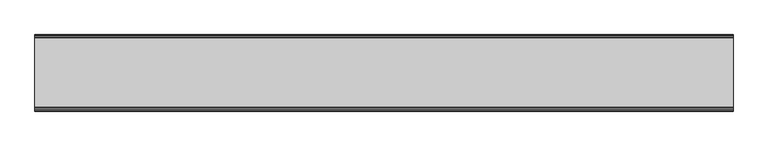
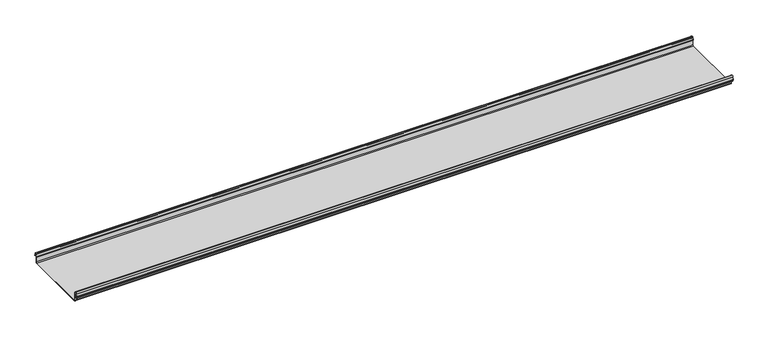
"""IFC4 building model written with IfcOpenShell, lengths in millimetres: beam geometry."""

from ifc_helpers import new_model, si_unit, frame, origin, place, context, project, spatial, polyline, circle_curve, source, transform, mapped, element, save
from ifc_brep_helpers import plane_surface, cylinder_surface, revolved_surface, advanced_brep


def beam_53fe273e(model_context):
    return source(origin(), model_context, "Body", "AdvancedBrep", [
        advanced_brep(
        [(1615.4201823, 174.5298471, 17.4730576), (1615.4201823, 169.9958217, 21.2486363), (1615.4201823, 165.4890072, 17.6093124), (1615.4201823, 163.0420077, 6.2503755), (1615.4201823, 164.7006671, 3.7959761), (1615.4201823, 165.8698319, 2.0849359), (1615.4201823, 164.3793103, -21.3247551), (1615.4201823, 160.6848586, -24.7896475), (1615.4201823, -159.5640942, -24.7896475), (1615.4201823, -163.2568715, -21.3207217), (1615.4201823, -164.7263748, 2.1632779), (1615.4201823, -164.0984471, 3.0966958), (1615.4201823, -161.8868093, 6.1624874), (1615.4201823, -162.770348, 17.3389905), (1615.4201823, -170.0, 24.0196704), (1615.4201823, -177.229652, 17.3389905), (1615.4201823, -178.1131907, 6.1624874), (1615.4201823, -175.9015529, 3.0966958), (1615.4201823, -175.2736252, 2.1632779), (1615.4201823, -175.6653397, -4.0966758), (1615.4201823, -174.6633838, -4.0966758), (1615.4201823, -174.255975, 2.4140875), (1615.4201823, -175.661391, 4.0675496), (1615.4201823, -177.1158116, 6.08368), (1615.4201823, -176.2261211, 17.3379999), (1615.4201823, -170.0, 23.0196704), (1615.4201823, -163.767144, 17.2589936), (1615.4201823, -162.8795452, 6.0037927), (1615.4201823, -164.338609, 4.0675496), (1615.4201823, -165.744025, 2.4140875), (1615.4201823, -164.2549195, -21.3831743), (1615.4201823, -159.5640942, -25.7896475), (1615.4201823, 160.6846135, -25.7896475), (1615.4201823, 165.3772895, -21.3882975), (1615.4201823, 166.868024, 2.0247376), (1615.4201823, 164.9644432, 4.7613501), (1615.4201823, 164.0277999, 6.0779003), (1615.4201823, 166.4434849, 17.2822335), (1615.4201823, 170.0063307, 20.2496221), (1615.4201823, 173.4803249, 17.6539317), (1615.4201823, 175.5075757, 6.5459412), (1615.4201823, 176.5074356, 6.7299959), (-1615.4201823, 174.5298471, 17.4730576), (-1615.4201823, 176.5074356, 6.7299959), (-1615.4201823, 175.5075757, 6.5459412), (-1615.4201823, 173.4803249, 17.6539317), (-1615.4201823, 170.0063307, 20.2496221), (-1615.4201823, 166.4434849, 17.2822335), (-1615.4201823, 164.0277999, 6.0779003), (-1615.4201823, 164.9644432, 4.7613501), (-1615.4201823, 166.868024, 2.0247376), (-1615.4201823, 165.3772895, -21.3882975), (-1615.4201823, 160.6846135, -25.7896475), (-1615.4201823, -159.5640942, -25.7896475), (-1615.4201823, -164.2549195, -21.3831743), (-1615.4201823, -165.744025, 2.4140875), (-1615.4201823, -164.338609, 4.0675496), (-1615.4201823, -162.8795452, 6.0037927), (-1615.4201823, -163.767144, 17.2589936), (-1615.4201823, -170.0, 23.0196704), (-1615.4201823, -176.2261211, 17.3379999), (-1615.4201823, -177.1158116, 6.08368), (-1615.4201823, -175.661391, 4.0675496), (-1615.4201823, -174.255975, 2.4140875), (-1615.4201823, -174.6633838, -4.0966758), (-1615.4201823, -175.6653397, -4.0966758), (-1615.4201823, -175.2736252, 2.1632779), (-1615.4201823, -175.9015529, 3.0966958), (-1615.4201823, -178.1066021, 6.2458324), (-1615.4201823, -177.229652, 17.3389905), (-1615.4201823, -170.0, 24.0196704), (-1615.4201823, -162.770348, 17.3389905), (-1615.4201823, -161.8868093, 6.1624874), (-1615.4201823, -164.0984471, 3.0966958), (-1615.4201823, -164.7263748, 2.1632779), (-1615.4201823, -163.2568715, -21.3207217), (-1615.4201823, -159.5640942, -24.7896475), (-1615.4201823, 160.6848586, -24.7896475), (-1615.4201823, 164.3793103, -21.3247551), (-1615.4201823, 165.8698319, 2.0849359), (-1615.4201823, 164.7006671, 3.7959761), (-1615.4201823, 163.0420077, 6.2503755), (-1615.4201823, 165.4890072, 17.6093124), (-1615.4201823, 169.9958217, 21.2486363)],
        [
            (0, 1, circle_curve(frame((1615.4201823, 169.9958217, 16.6384317), z_axis=(1.0, 0.0, 0.0), x_axis=(0.0, 1.0, 0.0)), 4.6102046)),
            (1, 2, circle_curve(frame((1615.4201823, 169.9958217, 16.6384317), z_axis=(1.0, 0.0, 0.0), x_axis=(0.0, 0.2105938444020083, 0.9775736456656259)), 4.6102046)),
            (2, 3),
            (3, 4, circle_curve(frame((1615.4201823, 165.4262002, 6.073937), z_axis=(1.0, 0.0, 0.0), x_axis=(0.0, -0.9528378408797884, 0.30347989881958104)), 2.3907121)),
            (4, 5, circle_curve(frame((1615.4201823, 164.1897695, 2.1919074), z_axis=(-1.0, 0.0, 0.0), x_axis=(0.0, 0.06354246328302078, 0.9979791357337717)), 1.6834645)),
            (5, 6),
            (6, 7, circle_curve(frame((1615.4201823, 160.6867875, -21.089648), z_axis=(-1.0, 0.0, 0.0), x_axis=(0.0, 0.9999998641088232, -0.0005213274739325337)), 3.7)),
            (7, 8),
            (8, 9, circle_curve(frame((1615.4201823, -159.5640942, -21.0896475), z_axis=(-1.0, 0.0, 0.0), x_axis=(0.0, 0.062452508687223206, -0.9980479368039755)), 3.7)),
            (9, 10),
            (10, 11, circle_curve(frame((1615.4201823, -163.8044049, 2.2209698), z_axis=(-1.0, 0.0, 0.0), x_axis=(0.0, -0.9479881328261025, -0.31830567073314897)), 0.9237732)),
            (11, 12, circle_curve(frame((1615.4201823, -164.7984694, 5.9323112), z_axis=(1.0, 0.0, 0.0), x_axis=(0.0, 0.07880737243916666, -0.9968898625471294)), 2.9207441)),
            (12, 13),
            (13, 14, circle_curve(frame((1615.4201823, -170.0, 16.7674631), z_axis=(1.0, 0.0, 0.0), x_axis=(0.0, 1.0, 0.0)), 7.2522073)),
            (14, 15, circle_curve(frame((1615.4201823, -170.0, 16.7674631), z_axis=(1.0, 0.0, 0.0), x_axis=(0.0, 0.07880737243912425, 0.9968898625471327)), 7.2522073)),
            (15, 16),
            (16, 17, circle_curve(frame((1615.4201823, -175.2001089, 5.9344165), z_axis=(1.0, 0.0, 0.0), x_axis=(0.0, -0.9707819351134729, 0.2399634023290655)), 2.9231288)),
            (17, 18, circle_curve(frame((1615.4201823, -176.1025472, 2.2835649), z_axis=(-1.0, 0.0, 0.0), x_axis=(0.0, 0.14360843272178178, 0.9896345881441257)), 0.8376041)),
            (18, 19),
            (19, 20, circle_curve(frame((1615.4201823, -175.1643617, -4.0966758), z_axis=(1.0, 0.0, 0.0), x_axis=(0.0, 0.0, -1.0)), 0.5009779)),
            (20, 21),
            (21, 22, circle_curve(frame((1615.4201823, -176.1062911, 2.2653702), z_axis=(1.0, 0.0, 0.0), x_axis=(0.0, 0.9708537722163966, -0.23967259537375799)), 1.856283)),
            (22, 23, circle_curve(frame((1615.4201823, -175.2010412, 5.9323112), z_axis=(-1.0, 0.0, 0.0), x_axis=(0.0, -0.07880737243914376, -0.9968898625471312)), 1.9207441)),
            (23, 24),
            (24, 25, circle_curve(frame((1615.4201823, -170.0770494, 16.8518958), z_axis=(-1.0, 0.0, 0.0), x_axis=(0.0, -0.9999219808421378, 0.012491286112139365)), 6.1682558)),
            (25, 26, circle_curve(frame((1615.4201823, -170.0791743, 16.6817991), z_axis=(-1.0, 0.0, 0.0), x_axis=(0.0, -0.09106361391821856, 0.9958450774192508)), 6.3383658)),
            (26, 27),
            (27, 28, circle_curve(frame((1615.4201823, -164.70299, 5.8599936), z_axis=(-1.0, 0.0, 0.0), x_axis=(0.0, 0.9799562955839813, 0.19921259685401593)), 1.8291061)),
            (28, 29, circle_curve(frame((1615.4201823, -163.9886548, 2.3460727), z_axis=(1.0, 0.0, 0.0), x_axis=(0.0, 0.03871763325448635, 0.9992501913310655)), 1.7566874)),
            (29, 30),
            (30, 31, circle_curve(frame((1615.4201823, -159.5640942, -21.0896475), z_axis=(1.0, 0.0, 0.0), x_axis=(0.0, -1.0, 0.0)), 4.7)),
            (31, 32),
            (32, 33, circle_curve(frame((1615.4201823, 160.6846135, -21.0873301), z_axis=(1.0, 0.0, 0.0), x_axis=(0.0, -0.06400407594283139, -0.997949637137418)), 4.7023174)),
            (33, 34),
            (34, 35, circle_curve(frame((1615.4201823, 164.1939121, 2.1950013), z_axis=(1.0, 0.0, 0.0), x_axis=(0.0, 0.9577619201002135, -0.2875623487279797)), 2.6795268)),
            (35, 36, circle_curve(frame((1615.4201823, 165.0972859, 5.8473161), z_axis=(-1.0, 0.0, 0.0), x_axis=(0.0, -0.210759855052358, -0.9775378680635902)), 1.094061)),
            (36, 37),
            (37, 38, circle_curve(frame((1615.4201823, 170.0063307, 16.627032), z_axis=(-1.0, 0.0, 0.0), x_axis=(0.0, -1.0, 0.0)), 3.6225901)),
            (38, 39, circle_curve(frame((1615.4201823, 170.0063307, 16.627032), z_axis=(-1.0, 0.0, 0.0), x_axis=(0.0, -0.2834711363957483, 0.9589807687490417)), 3.6225901)),
            (39, 40),
            (40, 41, circle_curve(frame((1615.4201823, 176.0075057, 6.6379685), z_axis=(1.0, 0.0, 0.0), x_axis=(0.0, 0.18103878268247353, -0.9834759575937014)), 0.5083296)),
            (41, 0),
            (42, 43),
            (43, 44, circle_curve(frame((-1615.4201823, 176.0075057, 6.6379685), z_axis=(-1.0, 0.0, 0.0), x_axis=(0.0, 0.18103878268247353, -0.9834759575937014)), 0.5083296)),
            (44, 45),
            (45, 46, circle_curve(frame((-1615.4201823, 170.0063307, 16.627032), z_axis=(1.0, 0.0, 0.0), x_axis=(0.0, -0.2834711363957483, 0.9589807687490417)), 3.6225901)),
            (46, 47, circle_curve(frame((-1615.4201823, 170.0063307, 16.627032), z_axis=(1.0, 0.0, 0.0), x_axis=(0.0, -1.0, 0.0)), 3.6225901)),
            (47, 48),
            (48, 49, circle_curve(frame((-1615.4201823, 165.0972859, 5.8473161), z_axis=(1.0, 0.0, 0.0), x_axis=(0.0, -0.210759855052358, -0.9775378680635902)), 1.094061)),
            (49, 50, circle_curve(frame((-1615.4201823, 164.1939121, 2.1950013), z_axis=(-1.0, 0.0, 0.0), x_axis=(0.0, 0.9577619201002135, -0.2875623487279797)), 2.6795268)),
            (50, 51),
            (51, 52, circle_curve(frame((-1615.4201823, 160.6846135, -21.0873301), z_axis=(-1.0, 0.0, 0.0), x_axis=(0.0, -0.06400407594283139, -0.997949637137418)), 4.7023174)),
            (52, 53),
            (53, 54, circle_curve(frame((-1615.4201823, -159.5640942, -21.0896475), z_axis=(-1.0, 0.0, 0.0), x_axis=(0.0, -1.0, 0.0)), 4.7)),
            (54, 55),
            (55, 56, circle_curve(frame((-1615.4201823, -163.9886548, 2.3460727), z_axis=(-1.0, 0.0, 0.0), x_axis=(0.0, 0.03871763325448635, 0.9992501913310655)), 1.7566874)),
            (56, 57, circle_curve(frame((-1615.4201823, -164.70299, 5.8599936), z_axis=(1.0, 0.0, 0.0), x_axis=(0.0, 0.9799562955839813, 0.19921259685401593)), 1.8291061)),
            (57, 58),
            (58, 59, circle_curve(frame((-1615.4201823, -170.0791743, 16.6817991), z_axis=(1.0, 0.0, 0.0), x_axis=(0.0, -0.09106361391821856, 0.9958450774192508)), 6.3383658)),
            (59, 60, circle_curve(frame((-1615.4201823, -170.0770494, 16.8518958), z_axis=(1.0, 0.0, 0.0), x_axis=(0.0, -0.9999219808421378, 0.012491286112139365)), 6.1682558)),
            (60, 61),
            (61, 62, circle_curve(frame((-1615.4201823, -175.2010412, 5.9323112), z_axis=(1.0, 0.0, 0.0), x_axis=(0.0, -0.07880737243914376, -0.9968898625471312)), 1.9207441)),
            (62, 63, circle_curve(frame((-1615.4201823, -176.1062911, 2.2653702), z_axis=(-1.0, 0.0, 0.0), x_axis=(0.0, 0.9708537722163966, -0.23967259537375799)), 1.856283)),
            (63, 64),
            (64, 65, circle_curve(frame((-1615.4201823, -175.1643617, -4.0966758), z_axis=(-1.0, 0.0, 0.0), x_axis=(0.0, 0.0, -1.0)), 0.5009779)),
            (65, 66),
            (66, 67, circle_curve(frame((-1615.4201823, -176.1025472, 2.2835649), z_axis=(1.0, 0.0, 0.0), x_axis=(0.0, 0.14360843272178178, 0.9896345881441257)), 0.8376041)),
            (67, 68, circle_curve(frame((-1615.4201823, -175.2001089, 5.9344165), z_axis=(-1.0, 0.0, 0.0), x_axis=(0.0, -0.9707819351134729, 0.2399634023290655)), 2.9231288)),
            (68, 69),
            (69, 70, circle_curve(frame((-1615.4201823, -170.0, 16.7674631), z_axis=(-1.0, 0.0, 0.0), x_axis=(0.0, 0.07880737243912425, 0.9968898625471327)), 7.2522073)),
            (70, 71, circle_curve(frame((-1615.4201823, -170.0, 16.7674631), z_axis=(-1.0, 0.0, 0.0), x_axis=(0.0, 1.0, 0.0)), 7.2522073)),
            (71, 72),
            (72, 73, circle_curve(frame((-1615.4201823, -164.7984694, 5.9323112), z_axis=(-1.0, 0.0, 0.0), x_axis=(0.0, 0.07880737243916666, -0.9968898625471294)), 2.9207441)),
            (73, 74, circle_curve(frame((-1615.4201823, -163.8044049, 2.2209698), z_axis=(1.0, 0.0, 0.0), x_axis=(0.0, -0.9479881328261025, -0.31830567073314897)), 0.9237732)),
            (74, 75),
            (75, 76, circle_curve(frame((-1615.4201823, -159.5640942, -21.0896475), z_axis=(1.0, 0.0, 0.0), x_axis=(0.0, 0.062452508687223206, -0.9980479368039755)), 3.7)),
            (76, 77),
            (77, 78, circle_curve(frame((-1615.4201823, 160.6867875, -21.089648), z_axis=(1.0, 0.0, 0.0), x_axis=(0.0, 0.9999998641088232, -0.0005213274739325337)), 3.7)),
            (78, 79),
            (79, 80, circle_curve(frame((-1615.4201823, 164.1897695, 2.1919074), z_axis=(1.0, 0.0, 0.0), x_axis=(0.0, 0.06354246328302078, 0.9979791357337717)), 1.6834645)),
            (80, 81, circle_curve(frame((-1615.4201823, 165.4262002, 6.073937), z_axis=(-1.0, 0.0, 0.0), x_axis=(0.0, -0.9528378408797884, 0.30347989881958104)), 2.3907121)),
            (81, 82),
            (82, 83, circle_curve(frame((-1615.4201823, 169.9958217, 16.6384317), z_axis=(-1.0, 0.0, 0.0), x_axis=(0.0, 0.2105938444020083, 0.9775736456656259)), 4.6102046)),
            (83, 42, circle_curve(frame((-1615.4201823, 169.9958217, 16.6384317), z_axis=(-1.0, 0.0, 0.0), x_axis=(0.0, 1.0, 0.0)), 4.6102046)),
            (42, 0),
            (41, 43),
            (40, 44),
            (39, 45),
            (38, 46),
            (37, 47),
            (36, 48),
            (35, 49),
            (34, 50),
            (33, 51),
            (32, 52),
            (31, 53),
            (30, 54),
            (29, 55),
            (28, 56),
            (27, 57),
            (26, 58),
            (25, 59),
            (24, 60),
            (23, 61),
            (22, 62),
            (21, 63),
            (20, 64),
            (19, 65),
            (18, 66),
            (17, 67),
            (16, 68),
            (15, 69),
            (14, 70),
            (13, 71),
            (12, 72),
            (11, 73),
            (10, 74),
            (9, 75),
            (8, 76),
            (7, 77),
            (6, 78),
            (5, 79),
            (4, 80),
            (3, 81),
            (2, 82),
            (1, 83),
        ],
        [
            plane_surface(frame((1615.4201823, 176.5074356, 6.7299959), z_axis=(1.0000000000000002, 0.0, 0.0), x_axis=(0.0, -0.18103878268248824, 0.9834759575936989))),
            plane_surface(frame((-1615.4201823, 176.5074356, 6.7299959), z_axis=(-1.0000000000000002, 0.0, 0.0), x_axis=(0.0, 0.18103878268248824, -0.9834759575936989))),
            plane_surface(frame((1615.4201823, 175.5186413, 12.1015267), z_axis=(0.0, 0.9834759575937931, 0.18103878268197598), x_axis=(0.0, 0.18103878268197598, -0.9834759575937931))),
            cylinder_surface(frame((1615.4201823, 176.0075057, 6.6379685), z_axis=(-1.0, 0.0, 0.0), x_axis=(0.0, 0.18103878268247353, -0.9834759575937014)), 0.5083296),
            plane_surface(frame((1615.4201823, 174.4939503, 12.0999365), z_axis=(0.0, -0.9837509798366516, -0.17953832368168063), x_axis=(0.0, -0.17953832368168063, 0.9837509798366516))),
            revolved_surface(polyline([(-1615.4201823, 168.979430967657, 20.101026238960667), (1615.4201823, 168.979430967657, 20.101026238960667)]), (1615.4201823, 170.0063307, 16.627032), (-1.0, 0.0, 0.0)),
            revolved_surface(polyline([(-1615.4201823, 166.3837406, 16.627032), (1615.4201823, 166.3837406, 16.627032)]), (1615.4201823, 170.0063307, 16.627032), (-1.0, 0.0, 0.0)),
            plane_surface(frame((1615.4201823, 165.2356424, 11.6800669), z_axis=(0.0, 0.9775378680634891, -0.2107598550528272), x_axis=(0.0, -0.2107598550528272, -0.9775378680634891))),
            revolved_surface(polyline([(-1615.4201823, 164.86670176222157, 4.77783004252848), (1615.4201823, 164.86670176222157, 4.77783004252848)]), (1615.4201823, 165.0972859, 5.8473161), (-1.0, 0.0, 0.0)),
            cylinder_surface(frame((1615.4201823, 164.1939121, 2.1950013), z_axis=(-1.0, 0.0, 0.0), x_axis=(0.0, 0.9577619201002135, -0.2875623487279797)), 2.6795268),
            plane_surface(frame((1615.4201823, 166.1226567, -9.68178), z_axis=(0.0, 0.9979791357337514, -0.06354246328334037), x_axis=(0.0, -0.06354246328334037, -0.9979791357337514))),
            cylinder_surface(frame((1615.4201823, 160.6846135, -21.0873301), z_axis=(-1.0, 0.0, 0.0), x_axis=(0.0, -0.06400407594283139, -0.997949637137418)), 4.7023174),
            plane_surface(frame((1615.4201823, 0.5602597, -25.7896475), z_axis=(0.0, 0.0, -1.0), x_axis=(0.0, -1.0, 0.0))),
            cylinder_surface(frame((1615.4201823, -159.5640942, -21.0896475), z_axis=(-1.0, 0.0, 0.0), x_axis=(0.0, -1.0, 0.0)), 4.7),
            plane_surface(frame((1615.4201823, -164.9994722, -9.4845434), z_axis=(0.0, -0.99804793680396, -0.06245250868747398), x_axis=(0.0, -0.06245250868747398, 0.99804793680396))),
            cylinder_surface(frame((1615.4201823, -163.9886548, 2.3460727), z_axis=(-1.0, 0.0, 0.0), x_axis=(0.0, 0.03871763325448635, 0.9992501913310655)), 1.7566874),
            revolved_surface(polyline([(-1615.4201823, -162.91054596201394, 6.224374576102521), (1615.4201823, -162.91054596201394, 6.224374576102521)]), (1615.4201823, -164.70299, 5.8599936), (-1.0, 0.0, 0.0)),
            plane_surface(frame((1615.4201823, -163.3233446, 11.6313931), z_axis=(0.0, -0.9969048840807634, -0.07861712342689589), x_axis=(0.0, -0.07861712342689589, 0.9969048840807634))),
            revolved_surface(polyline([(-1615.4201823, -170.65636879608365, 22.99382948081253), (1615.4201823, -170.65636879608365, 22.99382948081253)]), (1615.4201823, -170.0791743, 16.6817991), (-1.0, 0.0, 0.0)),
            revolved_surface(polyline([(-1615.4201823, -176.244823957877, 16.928945248010663), (1615.4201823, -176.244823957877, 16.928945248010663)]), (1615.4201823, -170.0770494, 16.8518958), (-1.0, 0.0, 0.0)),
            plane_surface(frame((1615.4201823, -176.6709664, 11.71084), z_axis=(0.0, 0.9968898625470921, -0.07880737243963815), x_axis=(0.0, -0.07880737243963815, -0.9968898625470921))),
            revolved_surface(polyline([(-1615.4201823, -175.35240999564897, 4.017540878162787), (1615.4201823, -175.35240999564897, 4.017540878162787)]), (1615.4201823, -175.2010412, 5.9323112), (-1.0, 0.0, 0.0)),
            cylinder_surface(frame((1615.4201823, -176.1062911, 2.2653702), z_axis=(-1.0, 0.0, 0.0), x_axis=(0.0, 0.9708537722163966, -0.23967259537375799)), 1.856283),
            plane_surface(frame((1615.4201823, -174.4596794, -0.8412941), z_axis=(0.0, 0.9980479368039222, -0.06245250868807452), x_axis=(0.0, -0.06245250868807452, -0.9980479368039222))),
            cylinder_surface(frame((1615.4201823, -175.1643617, -4.0966758), z_axis=(-1.0, 0.0, 0.0), x_axis=(0.0, 0.0, -1.0)), 0.5009779),
            plane_surface(frame((1615.4201823, -175.4694824, -0.9666989), z_axis=(0.0, -0.9980479368040358, 0.06245250868626084), x_axis=(0.0, 0.06245250868626084, 0.9980479368040358))),
            revolved_surface(polyline([(-1615.4201823, -175.98226018795768, 3.112486888531331), (1615.4201823, -175.98226018795768, 3.112486888531331)]), (1615.4201823, -176.1025472, 2.2835649), (-1.0, 0.0, 0.0)),
            cylinder_surface(frame((1615.4201823, -175.2001089, 5.9344165), z_axis=(-1.0, 0.0, 0.0), x_axis=(0.0, -0.9707819351134729, 0.2399634023290655)), 2.9231288),
            plane_surface(frame((1615.4201823, -177.6714214, 11.7507389), z_axis=(0.0, -0.9968898625471735, 0.07880737243860966), x_axis=(0.0, 0.07880737243860966, 0.9968898625471735))),
            cylinder_surface(frame((1615.4201823, -170.0, 16.7674631), z_axis=(-1.0, 0.0, 0.0), x_axis=(0.0, 0.07880737243912425, 0.9968898625471327)), 7.2522073),
            cylinder_surface(frame((1615.4201823, -170.0, 16.7674631), z_axis=(-1.0, 0.0, 0.0), x_axis=(0.0, 1.0, 0.0)), 7.2522073),
            plane_surface(frame((1615.4201823, -162.3285786, 11.7507389), z_axis=(0.0, 0.9968898625471712, 0.07880737243863836), x_axis=(0.0, 0.07880737243863836, -0.9968898625471712))),
            cylinder_surface(frame((1615.4201823, -164.7984694, 5.9323112), z_axis=(-1.0, 0.0, 0.0), x_axis=(0.0, 0.07880737243916666, -0.9968898625471294)), 2.9207441),
            revolved_surface(polyline([(-1615.4201823, -164.6801309310228, 1.9269275519686928), (1615.4201823, -164.6801309310228, 1.9269275519686928)]), (1615.4201823, -163.8044049, 2.2209698), (-1.0, 0.0, 0.0)),
            plane_surface(frame((1615.4201823, -163.9916232, -9.5787219), z_axis=(0.0, 0.9980479368039906, 0.0624525086869835), x_axis=(0.0, 0.0624525086869835, -0.9980479368039906))),
            revolved_surface(polyline([(-1615.4201823, -159.33301991785729, -24.78242486617471), (1615.4201823, -159.33301991785729, -24.78242486617471)]), (1615.4201823, -159.5640942, -21.0896475), (-1.0, 0.0, 0.0)),
            plane_surface(frame((1615.4201823, 0.5603822, -24.7896475), z_axis=(0.0, 0.0, 1.0), x_axis=(0.0, 1.0, 0.0))),
            revolved_surface(polyline([(-1615.4201823, 164.38678699720265, -21.09157691165355), (1615.4201823, 164.38678699720265, -21.09157691165355)]), (1615.4201823, 160.6867875, -21.089648), (-1.0, 0.0, 0.0)),
            plane_surface(frame((1615.4201823, 165.1245711, -9.6199096), z_axis=(0.0, -0.9979791357337828, 0.06354246328284598), x_axis=(0.0, 0.06354246328284598, 0.9979791357337828))),
            revolved_surface(polyline([(-1615.4201823, 164.29674098117954, 3.871969846748486), (1615.4201823, 164.29674098117954, 3.871969846748486)]), (1615.4201823, 164.1897695, 2.1919074), (-1.0, 0.0, 0.0)),
            cylinder_surface(frame((1615.4201823, 165.4262002, 6.073937), z_axis=(-1.0, 0.0, 0.0), x_axis=(0.0, -0.9528378408797884, 0.30347989881958104)), 2.3907121),
            plane_surface(frame((1615.4201823, 164.2655075, 11.929844), z_axis=(0.0, -0.9775736456657296, 0.21059384440152715), x_axis=(0.0, 0.21059384440152715, 0.9775736456657296))),
            cylinder_surface(frame((1615.4201823, 169.9958217, 16.6384317), z_axis=(-1.0, 0.0, 0.0), x_axis=(0.0, 0.2105938444020083, 0.9775736456656259)), 4.6102046),
            cylinder_surface(frame((1615.4201823, 169.9958217, 16.6384317), z_axis=(-1.0, 0.0, 0.0), x_axis=(0.0, 1.0, 0.0)), 4.6102046),
        ],
        [
            (0, [[1, 2, 3, 4, 5, 6, 7, 8, 9, 10, 11, 12, 13, 14, 15, 16, 17, 18, 19, 20, 21, 22, 23, 24, 25, 26, 27, 28, 29, 30, 31, 32, 33, 34, 35, 36, 37, 38, 39, 40, 41, 42]]),
            (1, [[43, 44, 45, 46, 47, 48, 49, 50, 51, 52, 53, 54, 55, 56, 57, 58, 59, 60, 61, 62, 63, 64, 65, 66, 67, 68, 69, 70, 71, 72, 73, 74, 75, 76, 77, 78, 79, 80, 81, 82, 83, 84]]),
            (2, [[-43, 85, -42, 86]]),
            (3, [[-44, -86, -41, 87]]),
            (4, [[-45, -87, -40, 88]]),
            (5, [[-46, -88, -39, 89]]),
            (6, [[-47, -89, -38, 90]]),
            (7, [[-48, -90, -37, 91]]),
            (8, [[-49, -91, -36, 92]]),
            (9, [[-50, -92, -35, 93]]),
            (10, [[-51, -93, -34, 94]]),
            (11, [[-52, -94, -33, 95]]),
            (12, [[-53, -95, -32, 96]]),
            (13, [[-54, -96, -31, 97]]),
            (14, [[-55, -97, -30, 98]]),
            (15, [[-56, -98, -29, 99]]),
            (16, [[-57, -99, -28, 100]]),
            (17, [[-58, -100, -27, 101]]),
            (18, [[-59, -101, -26, 102]]),
            (19, [[-60, -102, -25, 103]]),
            (20, [[-61, -103, -24, 104]]),
            (21, [[-62, -104, -23, 105]]),
            (22, [[-63, -105, -22, 106]]),
            (23, [[-64, -106, -21, 107]]),
            (24, [[-65, -107, -20, 108]]),
            (25, [[-66, -108, -19, 109]]),
            (26, [[-67, -109, -18, 110]]),
            (27, [[-68, -110, -17, 111]]),
            (28, [[-69, -111, -16, 112]]),
            (29, [[-70, -112, -15, 113]]),
            (30, [[-71, -113, -14, 114]]),
            (31, [[-72, -114, -13, 115]]),
            (32, [[-73, -115, -12, 116]]),
            (33, [[-74, -116, -11, 117]]),
            (34, [[-75, -117, -10, 118]]),
            (35, [[-76, -118, -9, 119]]),
            (36, [[-77, -119, -8, 120]]),
            (37, [[-78, -120, -7, 121]]),
            (38, [[-79, -121, -6, 122]]),
            (39, [[-80, -122, -5, 123]]),
            (40, [[-81, -123, -4, 124]]),
            (41, [[-82, -124, -3, 125]]),
            (42, [[-83, -125, -2, 126]]),
            (43, [[-84, -126, -1, -85]]),
        ],
    ),
    ])


if __name__ == "__main__":
    model = new_model("IFC4")
    model_context = context("Model", 3, world=origin())
    ifc_project = project(units=[si_unit("LENGTHUNIT", "METRE", prefix="MILLI")], contexts=[model_context])
    site = spatial("IfcSite", under=ifc_project)
    building = spatial("IfcBuilding", under=site)
    placement = place(None, origin())
    beam_shape = beam_53fe273e(model_context)
    element("IfcBeam", 1, at=placement, inside=building, context=model_context, shape_type="MappedRepresentation", body=[
        mapped(beam_shape, transform((0.0, 0.0, 0.0), x_axis=(1.0, 0.0, 0.0), y_axis=(0.0, 1.0, 0.0), z_axis=(0.0, 0.0, 1.0))),
    ])
    save(model, "model.ifc")
